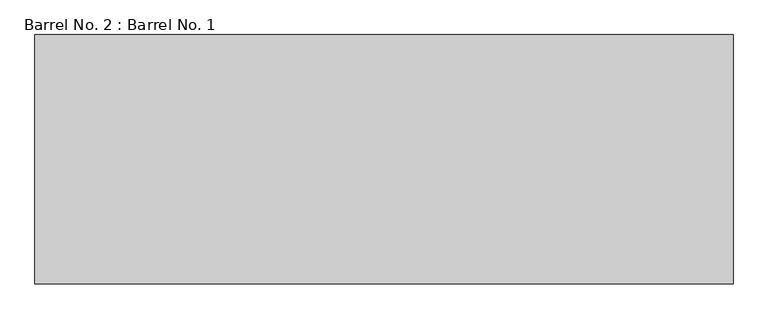
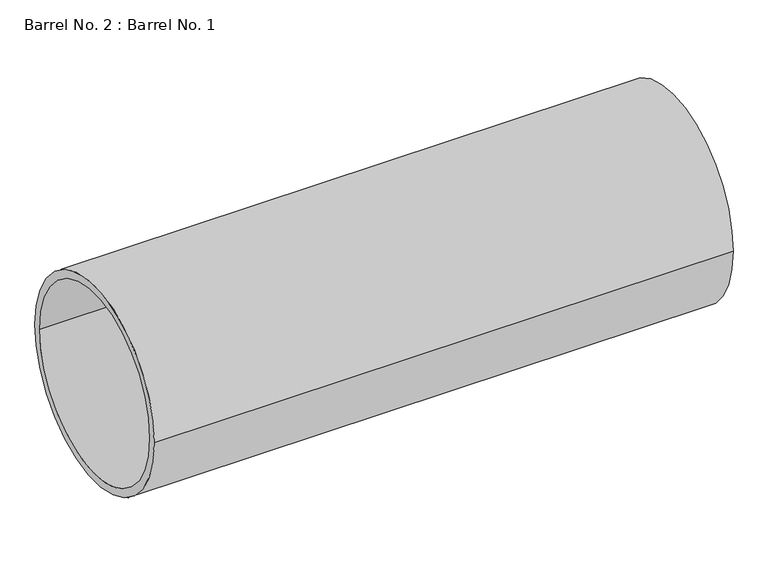
"""IFC4 building model written with IfcOpenShell, lengths in millimetres: proxy geometry, Barrel No. 2 : Barrel No. 1."""

from ifc_helpers import new_model, si_unit, point, frame, frame_2d, origin, place, context, project, spatial, circle_curve, trimmed, segment, composite_curve, outline, extrude, source, transform, mapped, element, save


def barrel_no_2_barrel_no_1_e3d88547(model_context):
    return source(origin(), model_context, "Body", "SweptSolid", [
        extrude(outline(composite_curve([segment(trimmed(circle_curve(frame_2d((-1485.3997812, 317.5)), 317.5), [point((-1802.8997812, 317.5))], [point((-1167.8997812, 317.5))], False, "CARTESIAN"), True, "CONTINUOUS"), segment(trimmed(circle_curve(frame_2d((-1485.3997812, 317.5)), 317.5), [point((-1167.8997812, 317.5))], [point((-1802.8997812, 317.5))], False, "CARTESIAN"), True, "CONTINUOUS")], self_intersect=False), holes=[composite_curve([segment(trimmed(circle_curve(frame_2d((-1485.3997812, 317.5)), 292.1), [point((-1777.4997812, 317.5))], [point((-1193.2997812, 317.5))], True, "CARTESIAN"), True, "CONTINUOUS"), segment(trimmed(circle_curve(frame_2d((-1485.3997812, 317.5)), 292.1), [point((-1193.2997812, 317.5))], [point((-1777.4997812, 317.5))], True, "CARTESIAN"), True, "CONTINUOUS")], self_intersect=False)]), frame((259452.7001106, 0.0, 0.0), z_axis=(1.0, 0.0, 0.0), x_axis=(0.0, 1.0, 0.0)), (0.0, 0.0, 1.0), 1778.0),
    ])


if __name__ == "__main__":
    model = new_model("IFC4")
    model_context = context("Model", 3, world=origin())
    ifc_project = project(units=[si_unit("LENGTHUNIT", "METRE", prefix="MILLI")], contexts=[model_context])
    site = spatial("IfcSite", under=ifc_project)
    building = spatial("IfcBuilding", under=site)
    placement = place(None, origin())
    barrel_no_2_barrel_no_1_shape = barrel_no_2_barrel_no_1_e3d88547(model_context)
    element("IfcBuildingElementProxy", 1, Name="Barrel No. 2 : Barrel No. 1", ObjectType="Barrel No. 2 : Barrel No. 1", at=placement, inside=building, context=model_context, shape_type="MappedRepresentation", body=[
        mapped(barrel_no_2_barrel_no_1_shape, transform((0.0, 0.0, 0.0), x_axis=(1.0, 0.0, 0.0), y_axis=(0.0, 1.0, 0.0), z_axis=(0.0, 0.0, 1.0))),
    ])
    save(model, "model.ifc")
